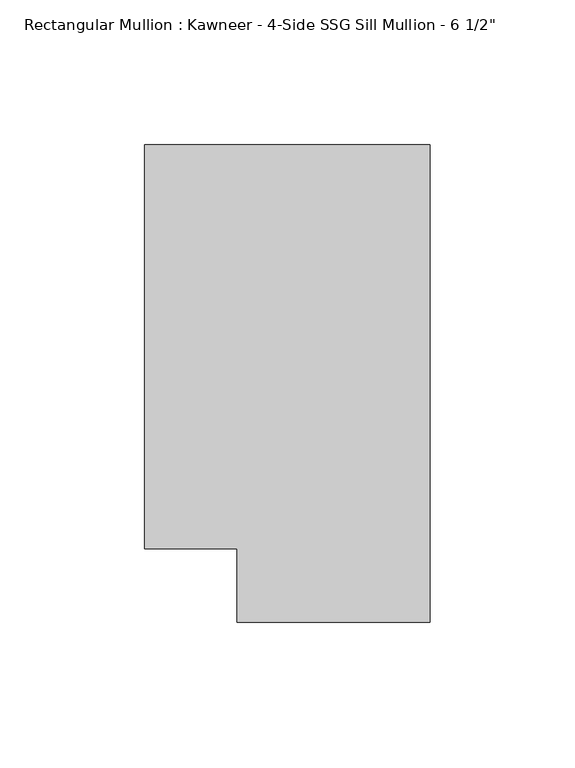
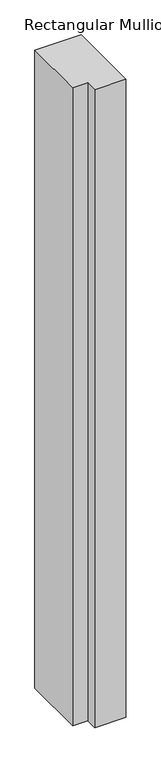
"""IFC4 building model written with IfcOpenShell, lengths in millimetres: member geometry."""

from ifc_helpers import new_model, si_unit, frame, origin, place, context, project, spatial, polyline, outline, extrude, source, transform, mapped, element, save


def member_e87dee16(model_context):
    return source(origin(), model_context, "Body", "SweptSolid", [
        extrude(outline(polyline([(0.0, 151.892), (0.0, -12.7), (-66.6751132, -12.7), (-66.6751132, 12.7), (-98.425, 12.7), (-98.425, 151.892), (0.0, 151.892)])), frame((0.0, 0.0, -1434.0305237), z_axis=(0.0, 0.0, 1.0), x_axis=(1.0, 0.0, 0.0)), (0.0, 0.0, 1.0), 1434.0305237),
    ])


if __name__ == "__main__":
    model = new_model("IFC4")
    model_context = context("Model", 3, world=origin())
    ifc_project = project(units=[si_unit("LENGTHUNIT", "METRE", prefix="MILLI")], contexts=[model_context])
    site = spatial("IfcSite", under=ifc_project)
    building = spatial("IfcBuilding", under=site)
    placement = place(None, origin())
    member_shape = member_e87dee16(model_context)
    element("IfcMember", 1, ObjectType="Rectangular Mullion : Kawneer - 4-Side SSG Sill Mullion - 6 1/2\"", at=placement, inside=building, context=model_context, shape_type="MappedRepresentation", body=[
        mapped(member_shape, transform((0.0, 0.0, 0.0), x_axis=(1.0, 0.0, 0.0), y_axis=(0.0, 1.0, 0.0), z_axis=(0.0, 0.0, 1.0))),
    ])
    save(model, "model.ifc")
